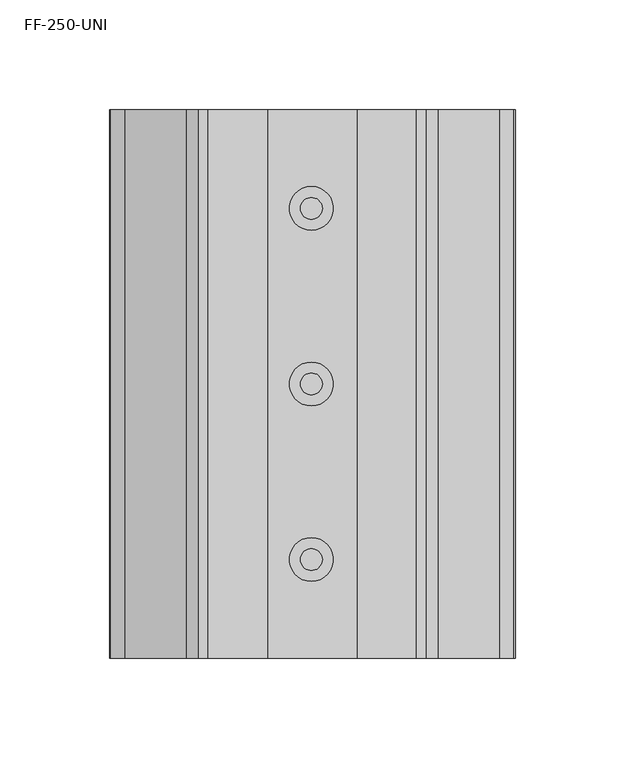
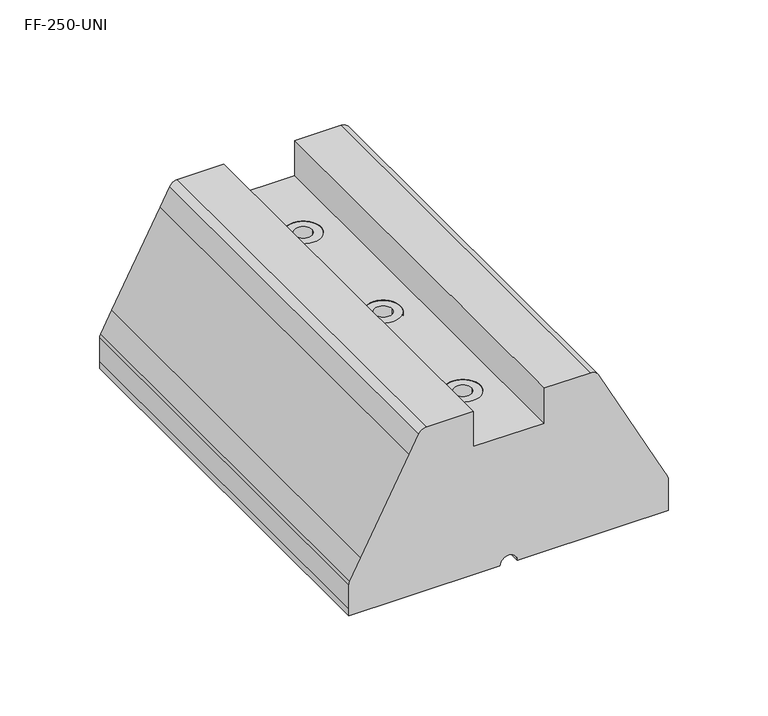
"""IFC4 building model written with IfcOpenShell, lengths in millimetres: beam geometry, FF-250-UNI."""

from ifc_helpers import new_model, si_unit, point, frame, frame_2d, origin, place, context, project, spatial, polyline, circle_curve, trimmed, segment, composite_curve, outline, extrude, source, transform, mapped, element, save
from ifc_brep_helpers import plane_surface, cylinder_surface, revolved_surface, advanced_brep


def ff_250_uni_b35c019e(model_context):
    return source(origin(), model_context, "Body", "SolidModel", [
        advanced_brep(
        [(-185.0000024, -250.0, 18.7672786), (-185.0000024, -250.0, 4.2743683), (-185.0000024, -250.0, 0.0), (-156.9999978, -250.0, 0.0), (-97.4999999, -250.0, 0.0), (-87.4999999, -250.0, 0.0), (-28.0000009, -250.0, 0.0), (0.0, -250.0, 0.0), (0.0, -250.0, 4.2743683), (0.0, -250.0, 18.7672799), (-0.5730104, -250.0, 21.0914494), (-6.9725066, -250.0, 33.2809687), (-35.0274928, -250.0, 86.7190324), (-40.5951886, -250.0, 97.3241699), (-45.0221784, -250.0, 100.0000009), (-71.9999999, -250.0, 100.0000015), (-71.9999999, -250.0, 78.500001), (-112.999998, -250.0, 78.500001), (-112.999998, -250.0, 100.0000015), (-139.9778202, -250.0, 100.0000015), (-144.4048109, -250.0, 97.3241704), (-149.9725059, -250.0, 86.7190324), (-178.0274883, -250.0, 33.2809687), (-184.4295439, -250.0, 21.0865771), (-184.9999999, 0.0, 18.7672799), (-184.4295439, 0.0, 21.0865771), (-178.0274883, 0.0, 33.2809687), (-149.9725059, 0.0, 86.7190324), (-144.4048136, 0.0, 97.3241702), (-139.9778214, 0.0, 100.0000009), (-112.999998, 0.0, 100.0000015), (-112.999998, 0.0, 78.500001), (-71.9999999, 0.0, 78.500001), (-71.9999999, 0.0, 100.0000015), (-45.0221784, 0.0, 100.0000015), (-40.5951886, 0.0, 97.3241699), (-35.0274928, 0.0, 86.7190324), (-6.9725066, 0.0, 33.2809687), (-0.5730093, 0.0, 21.09145), (1e-07, 0.0, 18.7672799), (0.0, 0.0, 4.2743683), (0.0, 0.0, 0.0), (-28.0000009, 0.0, 0.0), (-87.4999999, 0.0, 0.0), (-97.4999999, 0.0, 0.0), (-156.9999978, 0.0, 0.0), (-185.0000024, 0.0, 0.0), (-185.0000024, 0.0, 4.2743683), (-92.999998, -135.0, 78.500001), (-92.999998, -115.0, 78.500001), (-92.999998, -55.0, 78.500001), (-92.999998, -35.0, 78.500001), (-92.999998, -215.0, 78.500001), (-92.999998, -195.0, 78.500001), (-92.999998, -135.0, 48.500001), (-92.999998, -115.0, 48.500001), (-92.999998, -55.0, 48.500001), (-92.999998, -35.0, 48.500001), (-92.999998, -215.0, 48.500001), (-92.999998, -195.0, 48.500001)],
        [
            (0, 1),
            (1, 2),
            (2, 3),
            (3, 4),
            (4, 5, circle_curve(frame((-92.4999999, -250.0, 9e-07), z_axis=(0.0, 1.0, 0.0), x_axis=(1.0, 0.0, 0.0)), 5.0)),
            (5, 6),
            (6, 7),
            (7, 8),
            (8, 9),
            (9, 10, circle_curve(frame((-4.9999999, -250.0, 18.7672799), z_axis=(0.0, -1.0, 0.0), x_axis=(1.0, 0.0, 0.0)), 5.0)),
            (10, 11),
            (11, 12),
            (12, 13),
            (13, 14, circle_curve(frame((-45.0221784, -250.0, 95.0000009), z_axis=(0.0, -1.0, 0.0), x_axis=(1.0, 0.0, 0.0)), 5.0)),
            (14, 15),
            (15, 16),
            (16, 17),
            (17, 18),
            (18, 19),
            (19, 20, circle_curve(frame((-139.9778214, -250.0, 95.0000009), z_axis=(0.0, -1.0, 0.0), x_axis=(1.0, 0.0, 0.0)), 5.0)),
            (20, 21),
            (21, 22),
            (22, 23),
            (23, 0, circle_curve(frame((-179.9999999, -250.0, 18.7672799), z_axis=(0.0, -1.0, 0.0), x_axis=(1.0, 0.0, 0.0)), 5.0)),
            (24, 25, circle_curve(frame((-179.9999999, 0.0, 18.7672799), z_axis=(0.0, 1.0, 0.0), x_axis=(1.0, 0.0, 0.0)), 5.0)),
            (25, 26),
            (26, 27),
            (27, 28),
            (28, 29, circle_curve(frame((-139.9778214, 0.0, 95.0000009), z_axis=(0.0, 1.0, 0.0), x_axis=(1.0, 0.0, 0.0)), 5.0)),
            (29, 30),
            (30, 31),
            (31, 32),
            (32, 33),
            (33, 34),
            (34, 35, circle_curve(frame((-45.0221784, 0.0, 95.0000009), z_axis=(0.0, 1.0, 0.0), x_axis=(1.0, 0.0, 0.0)), 5.0)),
            (35, 36),
            (36, 37),
            (37, 38),
            (38, 39, circle_curve(frame((-4.9999999, 0.0, 18.7672799), z_axis=(0.0, 1.0, 0.0), x_axis=(1.0, 0.0, 0.0)), 5.0)),
            (39, 40),
            (40, 41),
            (41, 42),
            (42, 43),
            (43, 44, circle_curve(frame((-92.4999999, 0.0, 9e-07), z_axis=(0.0, -1.0, 0.0), x_axis=(1.0, 0.0, 0.0)), 5.0)),
            (44, 45),
            (45, 46),
            (46, 47),
            (47, 24),
            (0, 24),
            (47, 1),
            (46, 2),
            (45, 3),
            (44, 4),
            (43, 5),
            (42, 6),
            (41, 7),
            (40, 8),
            (39, 9),
            (38, 10),
            (37, 11),
            (36, 12),
            (35, 13),
            (34, 14),
            (33, 15),
            (32, 16),
            (31, 17),
            (48, 49, circle_curve(frame((-92.999998, -125.0, 78.500001), z_axis=(0.0, 0.0, -1.0), x_axis=(0.0, 1.0, 0.0)), 10.0)),
            (49, 48, circle_curve(frame((-92.999998, -125.0, 78.500001), z_axis=(0.0, 0.0, -1.0), x_axis=(0.0, 1.0, 0.0)), 10.0)),
            (50, 51, circle_curve(frame((-92.999998, -45.0, 78.500001), z_axis=(0.0, 0.0, -1.0), x_axis=(0.0, 1.0, 0.0)), 10.0)),
            (51, 50, circle_curve(frame((-92.999998, -45.0, 78.500001), z_axis=(0.0, 0.0, -1.0), x_axis=(0.0, 1.0, 0.0)), 10.0)),
            (52, 53, circle_curve(frame((-92.999998, -205.0, 78.500001), z_axis=(0.0, 0.0, -1.0), x_axis=(0.0, 1.0, 0.0)), 10.0)),
            (53, 52, circle_curve(frame((-92.999998, -205.0, 78.500001), z_axis=(0.0, 0.0, -1.0), x_axis=(0.0, 1.0, 0.0)), 10.0)),
            (30, 18),
            (29, 19),
            (28, 20),
            (27, 21),
            (26, 22),
            (25, 23),
            (54, 55, circle_curve(frame((-92.999998, -125.0, 48.500001), z_axis=(0.0, 0.0, 1.0), x_axis=(0.0, 1.0, 0.0)), 10.0)),
            (55, 54, circle_curve(frame((-92.999998, -125.0, 48.500001), z_axis=(0.0, 0.0, 1.0), x_axis=(0.0, 1.0, 0.0)), 10.0)),
            (56, 57, circle_curve(frame((-92.999998, -45.0, 48.500001), z_axis=(0.0, 0.0, 1.0), x_axis=(0.0, 1.0, 0.0)), 10.0)),
            (57, 56, circle_curve(frame((-92.999998, -45.0, 48.500001), z_axis=(0.0, 0.0, 1.0), x_axis=(0.0, 1.0, 0.0)), 10.0)),
            (58, 59, circle_curve(frame((-92.999998, -205.0, 48.500001), z_axis=(0.0, 0.0, 1.0), x_axis=(0.0, 1.0, 0.0)), 10.0)),
            (59, 58, circle_curve(frame((-92.999998, -205.0, 48.500001), z_axis=(0.0, 0.0, 1.0), x_axis=(0.0, 1.0, 0.0)), 10.0)),
            (55, 49),
            (48, 54),
            (57, 51),
            (50, 56),
            (59, 53),
            (52, 58),
        ],
        [
            plane_surface(frame((-185.0000024, -250.0, 4.2743683), z_axis=(0.0, -1.0, 0.0), x_axis=(0.0, 0.0, -1.0))),
            plane_surface(frame((-185.0000024, 0.0, 4.2743683), z_axis=(0.0, 1.0, 0.0), x_axis=(0.0, 0.0, 1.0))),
            plane_surface(frame((-185.0000024, -250.0, 18.7672786), z_axis=(-1.0, 0.0, 0.0), x_axis=(0.0, 1.0, 0.0))),
            plane_surface(frame((-185.0000024, -250.0, 4.2743683), z_axis=(-1.0, 0.0, 0.0), x_axis=(0.0, 1.0, 0.0))),
            plane_surface(frame((-185.0000024, -250.0, 0.0), z_axis=(0.0, 0.0, -1.0), x_axis=(0.0, 1.0, 0.0))),
            plane_surface(frame((-156.9999978, -250.0, 0.0), z_axis=(0.0, 0.0, -1.0), x_axis=(0.0, 1.0, 0.0))),
            revolved_surface(polyline([(-87.4999999, 0.0, 9e-07), (-87.4999999, -250.0, 9e-07)]), (-92.4999999, 0.0, 9e-07), (0.0, 1.0, 0.0)),
            plane_surface(frame((-87.4999999, -250.0, 0.0), z_axis=(0.0, 0.0, -1.0), x_axis=(0.0, 1.0, 0.0))),
            plane_surface(frame((-28.0000009, -250.0, 0.0), z_axis=(0.0, 0.0, -1.0), x_axis=(0.0, 1.0, 0.0))),
            plane_surface(frame((0.0, -250.0, 0.0), z_axis=(1.0, 0.0, 0.0), x_axis=(0.0, 1.0, 0.0))),
            plane_surface(frame((0.0, -250.0, 4.2743683), z_axis=(1.0, 0.0, 0.0), x_axis=(0.0, 1.0, 0.0))),
            cylinder_surface(frame((-4.9999999, 0.0, 18.7672799), z_axis=(0.0, -1.0, 0.0), x_axis=(1.0, 0.0, 0.0)), 5.0),
            plane_surface(frame((-0.5730093, -250.0, 21.09145), z_axis=(0.8853979000538216, 0.0, 0.46483390429300997), x_axis=(0.0, 1.0, 0.0))),
            plane_surface(frame((-6.9725066, -250.0, 33.2809687), z_axis=(0.8853978844208028, 0.0, 0.46483393407018697), x_axis=(0.0, 1.0, 0.0))),
            plane_surface(frame((-35.0274928, -250.0, 86.7190324), z_axis=(0.8853979498327366, 0.0, 0.46483380947601793), x_axis=(0.0, 1.0, 0.0))),
            cylinder_surface(frame((-45.0221784, 0.0, 95.0000009), z_axis=(0.0, -1.0, 0.0), x_axis=(1.0, 0.0, 0.0)), 5.0),
            plane_surface(frame((-45.0221784, -250.0, 100.0000015), z_axis=(0.0, 0.0, 1.0), x_axis=(0.0, 1.0, 0.0))),
            plane_surface(frame((-71.9999999, -250.0, 100.0000015), z_axis=(-1.0, 0.0, 0.0), x_axis=(0.0, 1.0, 0.0))),
            plane_surface(frame((-71.9999999, -250.0, 78.500001), z_axis=(0.0, 0.0, 1.0), x_axis=(0.0, 1.0, 0.0))),
            plane_surface(frame((-112.999998, -250.0, 78.500001), z_axis=(1.0, 0.0, 0.0), x_axis=(0.0, 1.0, 0.0))),
            plane_surface(frame((-112.999998, -250.0, 100.0000015), z_axis=(0.0, 0.0, 1.0), x_axis=(0.0, 1.0, 0.0))),
            cylinder_surface(frame((-139.9778214, 0.0, 95.0000009), z_axis=(0.0, -1.0, 0.0), x_axis=(1.0, 0.0, 0.0)), 5.0),
            plane_surface(frame((-144.4048136, -250.0, 97.3241702), z_axis=(-0.8853980788414098, 0.0, 0.46483356374506857), x_axis=(0.0, 1.0, 0.0))),
            plane_surface(frame((-149.9725059, -250.0, 86.7190324), z_axis=(-0.8853979098237537, 0.0, 0.46483388568361506), x_axis=(0.0, 1.0, 0.0))),
            plane_surface(frame((-178.0274883, -250.0, 33.2809687), z_axis=(-0.8853979000538175, 0.0, 0.4648339042930177), x_axis=(0.0, 1.0, 0.0))),
            cylinder_surface(frame((-179.9999999, 0.0, 18.7672799), z_axis=(0.0, -1.0, 0.0), x_axis=(1.0, 0.0, 0.0)), 5.0),
            plane_surface(frame((-92.999998, -115.0, 48.500001), z_axis=(0.0, 0.0, 1.0), x_axis=(1.0, 0.0, 0.0))),
            revolved_surface(polyline([(-92.999998, -115.0, 48.500001), (-92.999998, -115.0, 78.500001)]), (-92.999998, -125.0, 78.500001), (0.0, 0.0, -1.0)),
            revolved_surface(polyline([(-92.999998, -35.0, 48.500001), (-92.999998, -35.0, 78.500001)]), (-92.999998, -45.0, 78.500001), (0.0, 0.0, -1.0)),
            revolved_surface(polyline([(-92.999998, -195.0, 48.500001), (-92.999998, -195.0, 78.500001)]), (-92.999998, -205.0, 78.500001), (0.0, 0.0, -1.0)),
        ],
        [
            (0, [[1, 2, 3, 4, 5, 6, 7, 8, 9, 10, 11, 12, 13, 14, 15, 16, 17, 18, 19, 20, 21, 22, 23, 24]]),
            (1, [[25, 26, 27, 28, 29, 30, 31, 32, 33, 34, 35, 36, 37, 38, 39, 40, 41, 42, 43, 44, 45, 46, 47, 48]]),
            (2, [[-1, 49, -48, 50]]),
            (3, [[-2, -50, -47, 51]]),
            (4, [[-3, -51, -46, 52]]),
            (5, [[-4, -52, -45, 53]]),
            (6, [[-5, -53, -44, 54]]),
            (7, [[-6, -54, -43, 55]]),
            (8, [[-7, -55, -42, 56]]),
            (9, [[-8, -56, -41, 57]]),
            (10, [[-9, -57, -40, 58]]),
            (11, [[-10, -58, -39, 59]]),
            (12, [[-11, -59, -38, 60]]),
            (13, [[-12, -60, -37, 61]]),
            (14, [[-13, -61, -36, 62]]),
            (15, [[-14, -62, -35, 63]]),
            (16, [[-15, -63, -34, 64]]),
            (17, [[-16, -64, -33, 65]]),
            (18, [[-17, -65, -32, 66], [67, 68], [69, 70], [71, 72]]),
            (19, [[-18, -66, -31, 73]]),
            (20, [[-19, -73, -30, 74]]),
            (21, [[-20, -74, -29, 75]]),
            (22, [[-21, -75, -28, 76]]),
            (23, [[-22, -76, -27, 77]]),
            (24, [[-23, -77, -26, 78]]),
            (25, [[-24, -78, -25, -49]]),
            (26, [[79, 80]]),
            (26, [[81, 82]]),
            (26, [[83, 84]]),
            (27, [[-80, 85, -67, 86]]),
            (27, [[-79, -86, -68, -85]]),
            (28, [[-82, 87, -69, 88]]),
            (28, [[-81, -88, -70, -87]]),
            (29, [[-84, 89, -71, 90]]),
            (29, [[-83, -90, -72, -89]]),
        ],
    ),
        extrude(outline(composite_curve([segment(trimmed(circle_curve(frame_2d((-92.999998, -45.0)), 10.0), [point((-92.999998, -55.0))], [point((-92.999998, -35.0))], False, "CARTESIAN"), True, "CONTINUOUS"), segment(trimmed(circle_curve(frame_2d((-92.999998, -45.0)), 10.0), [point((-92.999998, -35.0))], [point((-92.999998, -55.0))], False, "CARTESIAN"), True, "CONTINUOUS")], self_intersect=False), holes=[composite_curve([segment(trimmed(circle_curve(frame_2d((-92.999998, -45.0)), 5.0), [point((-97.999998, -45.0))], [point((-87.999998, -45.0))], True, "CARTESIAN"), True, "CONTINUOUS"), segment(trimmed(circle_curve(frame_2d((-92.999998, -45.0)), 5.0), [point((-87.999998, -45.0))], [point((-97.999998, -45.0))], True, "CARTESIAN"), True, "CONTINUOUS")], self_intersect=False)]), frame((0.0, 0.0, 48.500001), z_axis=(0.0, 0.0, 1.0), x_axis=(1.0, 0.0, 0.0)), (0.0, 0.0, 1.0), 30.0),
        extrude(outline(composite_curve([segment(trimmed(circle_curve(frame_2d((-92.999998, -125.0)), 10.0), [point((-92.999998, -115.0))], [point((-92.999998, -135.0))], False, "CARTESIAN"), True, "CONTINUOUS"), segment(trimmed(circle_curve(frame_2d((-92.999998, -125.0)), 10.0), [point((-92.999998, -135.0))], [point((-92.999998, -115.0))], False, "CARTESIAN"), True, "CONTINUOUS")], self_intersect=False), holes=[composite_curve([segment(trimmed(circle_curve(frame_2d((-92.999998, -125.0)), 5.0), [point((-97.999998, -125.0))], [point((-87.999998, -125.0))], True, "CARTESIAN"), True, "CONTINUOUS"), segment(trimmed(circle_curve(frame_2d((-92.999998, -125.0)), 5.0), [point((-87.999998, -125.0))], [point((-97.999998, -125.0))], True, "CARTESIAN"), True, "CONTINUOUS")], self_intersect=False)]), frame((0.0, 0.0, 48.500001), z_axis=(0.0, 0.0, 1.0), x_axis=(1.0, 0.0, 0.0)), (0.0, 0.0, 1.0), 30.0),
        extrude(outline(composite_curve([segment(trimmed(circle_curve(frame_2d((-92.999998, -205.0)), 10.0), [point((-92.999998, -215.0))], [point((-92.999998, -195.0))], False, "CARTESIAN"), True, "CONTINUOUS"), segment(trimmed(circle_curve(frame_2d((-92.999998, -205.0)), 10.0), [point((-92.999998, -195.0))], [point((-92.999998, -215.0))], False, "CARTESIAN"), True, "CONTINUOUS")], self_intersect=False), holes=[composite_curve([segment(trimmed(circle_curve(frame_2d((-92.999998, -205.0)), 5.0), [point((-97.999998, -205.0))], [point((-87.999998, -205.0))], True, "CARTESIAN"), True, "CONTINUOUS"), segment(trimmed(circle_curve(frame_2d((-92.999998, -205.0)), 5.0), [point((-87.999998, -205.0))], [point((-97.999998, -205.0))], True, "CARTESIAN"), True, "CONTINUOUS")], self_intersect=False)]), frame((0.0, 0.0, 48.500001), z_axis=(0.0, 0.0, 1.0), x_axis=(1.0, 0.0, 0.0)), (0.0, 0.0, 1.0), 30.0),
    ])


if __name__ == "__main__":
    model = new_model("IFC4")
    model_context = context("Model", 3, world=origin())
    ifc_project = project(units=[si_unit("LENGTHUNIT", "METRE", prefix="MILLI")], contexts=[model_context])
    site = spatial("IfcSite", under=ifc_project)
    building = spatial("IfcBuilding", under=site)
    placement = place(None, origin())
    ff_250_uni_shape = ff_250_uni_b35c019e(model_context)
    element("IfcBeam", 1, ObjectType="FF-250-UNI", at=placement, inside=building, context=model_context, shape_type="MappedRepresentation", body=[
        mapped(ff_250_uni_shape, transform((0.0, 0.0, 0.0), x_axis=(1.0, 0.0, 0.0), y_axis=(0.0, 1.0, 0.0), z_axis=(0.0, 0.0, 1.0))),
    ])
    save(model, "model.ifc")
